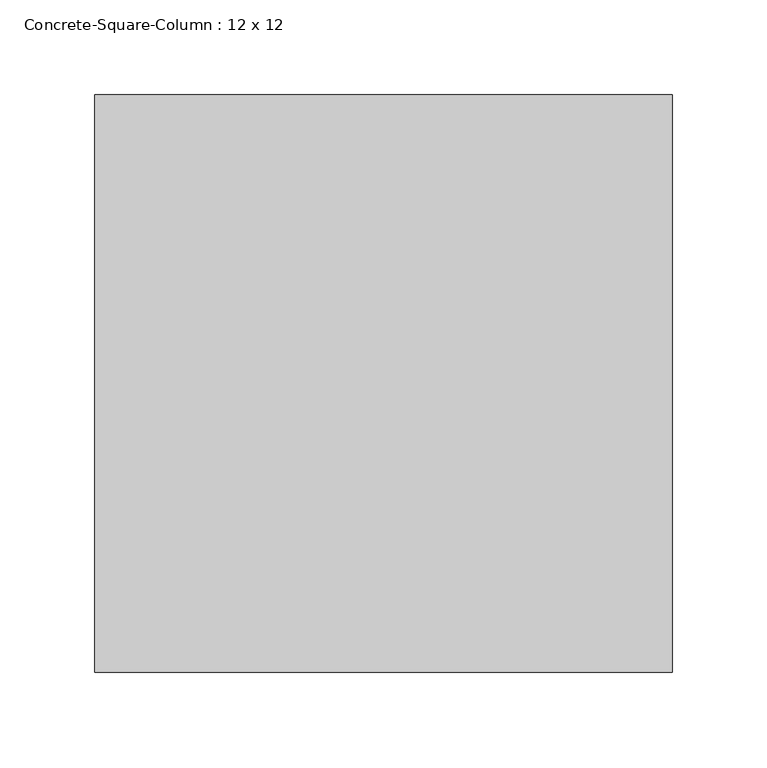
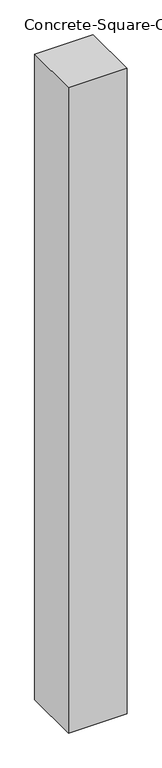
"""IFC4 building model written with IfcOpenShell, lengths in millimetres: column geometry, Concrete-Square-Column : 12 x 12."""

from ifc_helpers import new_model, si_unit, frame, origin, place, context, project, spatial, polyline, outline, extrude, source, transform, mapped, element, save


def concrete_square_column_12_x_12_0e854189(model_context):
    return source(origin(), model_context, "Body", "SweptSolid", [
        extrude(outline(polyline([(152.4, 152.4), (152.4, -152.4), (-152.4, -152.4), (-152.4, 152.4), (152.4, 152.4)])), frame((0.0, 0.0, -3632.2), z_axis=(0.0, 0.0, 1.0), x_axis=(1.0, 0.0, 0.0)), (0.0, 0.0, 1.0), 3556.0),
    ])


if __name__ == "__main__":
    model = new_model("IFC4")
    model_context = context("Model", 3, world=origin())
    ifc_project = project(units=[si_unit("LENGTHUNIT", "METRE", prefix="MILLI")], contexts=[model_context])
    site = spatial("IfcSite", under=ifc_project)
    building = spatial("IfcBuilding", under=site)
    placement = place(None, origin())
    concrete_square_column_12_x_12_shape = concrete_square_column_12_x_12_0e854189(model_context)
    element("IfcColumn", 1, ObjectType="Concrete-Square-Column : 12 x 12", at=placement, inside=building, context=model_context, shape_type="MappedRepresentation", body=[
        mapped(concrete_square_column_12_x_12_shape, transform((0.0, 0.0, 0.0), x_axis=(1.0, 0.0, 0.0), y_axis=(0.0, 1.0, 0.0), z_axis=(0.0, 0.0, 1.0))),
    ])
    save(model, "model.ifc")
